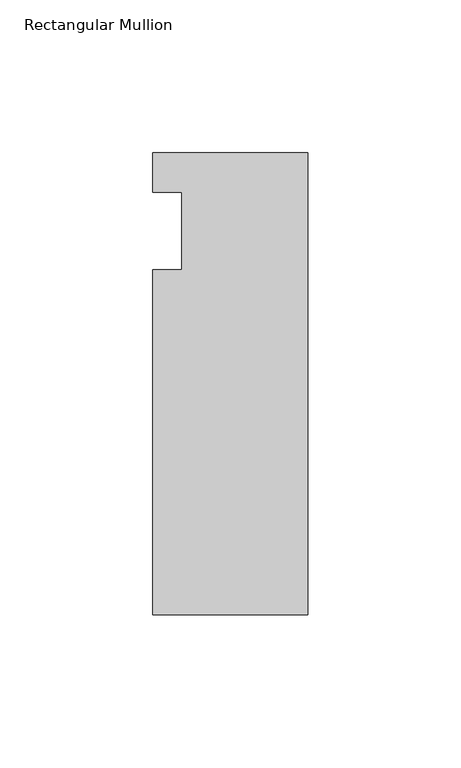
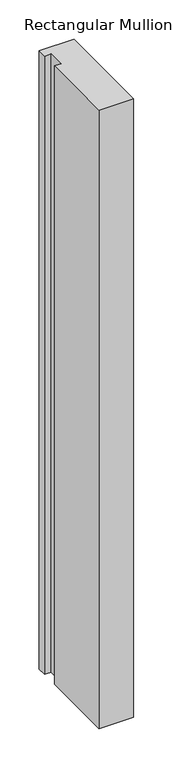
"""IFC4 building model written with IfcOpenShell, lengths in millimetres: member geometry, Rectangular Mullion."""

from ifc_helpers import new_model, si_unit, frame, origin, place, context, project, spatial, polyline, outline, extrude, source, transform, mapped, element, save


def rectangular_mullion_15f3971b(model_context):
    return source(origin(), model_context, "Body", "SweptSolid", [
        extrude(outline(polyline([(-50.8, 25.5984375), (0.0, 25.5984375), (0.0, -125.6109375), (-50.8, -125.6109375), (-50.8, -12.7), (-41.275, -12.7), (-41.275, 12.7), (-50.8, 12.7), (-50.8, 25.5984375)])), frame((0.0, 0.0, -956.31635), z_axis=(0.0, 0.0, 1.0), x_axis=(1.0, 0.0, 0.0)), (0.0, 0.0, 1.0), 956.31635),
    ])


if __name__ == "__main__":
    model = new_model("IFC4")
    model_context = context("Model", 3, world=origin())
    ifc_project = project(units=[si_unit("LENGTHUNIT", "METRE", prefix="MILLI")], contexts=[model_context])
    site = spatial("IfcSite", under=ifc_project)
    building = spatial("IfcBuilding", under=site)
    placement = place(None, origin())
    rectangular_mullion_shape = rectangular_mullion_15f3971b(model_context)
    element("IfcMember", 1, ObjectType="Rectangular Mullion", at=placement, inside=building, context=model_context, shape_type="MappedRepresentation", body=[
        mapped(rectangular_mullion_shape, transform((0.0, 0.0, 0.0), x_axis=(1.0, 0.0, 0.0), y_axis=(0.0, 1.0, 0.0), z_axis=(0.0, 0.0, 1.0))),
    ])
    save(model, "model.ifc")
